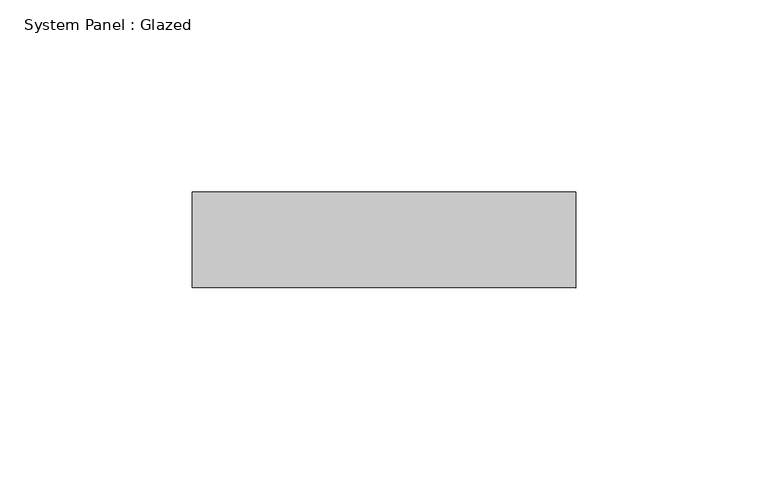
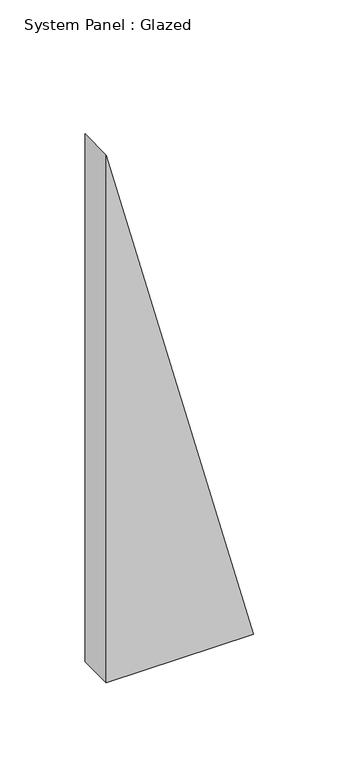
"""IFC4 building model written with IfcOpenShell, lengths in millimetres: plate geometry, System Panel : Glazed."""

from ifc_helpers import new_model, si_unit, frame, origin, place, context, project, spatial, polyline, outline, extrude, source, transform, mapped, element, save


def system_panel_glazed_47109500(model_context):
    return source(origin(), model_context, "Body", "SweptSolid", [
        extrude(outline(polyline([(0.0, -49.9999998), (0.0, 49.9999998), (378.3783772, -49.9999998), (0.0, -49.9999998)])), frame((0.0, 24.5, 0.0), z_axis=(0.0, 1.0, 0.0), x_axis=(0.0, 0.0, 1.0)), (0.0, 0.0, 1.0), 25.0),
    ])


if __name__ == "__main__":
    model = new_model("IFC4")
    model_context = context("Model", 3, world=origin())
    ifc_project = project(units=[si_unit("LENGTHUNIT", "METRE", prefix="MILLI")], contexts=[model_context])
    site = spatial("IfcSite", under=ifc_project)
    building = spatial("IfcBuilding", under=site)
    placement = place(None, origin())
    system_panel_glazed_shape = system_panel_glazed_47109500(model_context)
    element("IfcPlate", 1, ObjectType="System Panel : Glazed", at=placement, inside=building, context=model_context, shape_type="MappedRepresentation", body=[
        mapped(system_panel_glazed_shape, transform((0.0, 0.0, 0.0), x_axis=(1.0, 0.0, 0.0), y_axis=(0.0, 1.0, 0.0), z_axis=(0.0, 0.0, 1.0))),
    ])
    save(model, "model.ifc")
